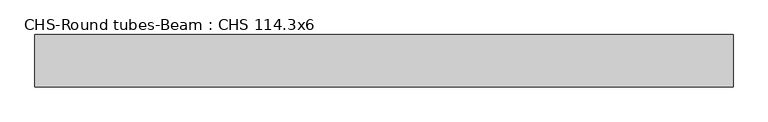
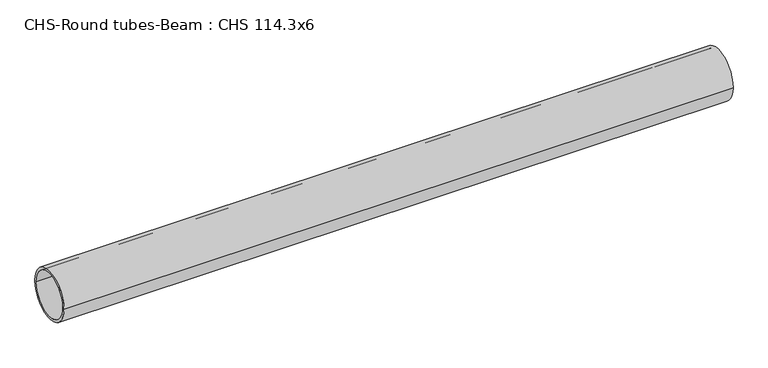
"""IFC4 building model written with IfcOpenShell, lengths in millimetres: beam geometry, CHS-Round tubes-Beam : CHS 114.3x6."""

from ifc_helpers import new_model, si_unit, point, frame, origin, origin_2d, place, context, project, spatial, circle_curve, trimmed, segment, composite_curve, outline, extrude, source, transform, mapped, element, save


def chs_round_tubes_beam_chs_114_3x6_47f75db7(model_context):
    return source(origin(), model_context, "Body", "SweptSolid", [
        extrude(outline(composite_curve([segment(trimmed(circle_curve(origin_2d(), 57.15), [point((57.15, 0.0))], [point((-57.15, 0.0))], False, "CARTESIAN"), True, "CONTINUOUS"), segment(trimmed(circle_curve(origin_2d(), 57.15), [point((-57.15, 0.0))], [point((57.15, 0.0))], False, "CARTESIAN"), True, "CONTINUOUS")], self_intersect=False), holes=[composite_curve([segment(trimmed(circle_curve(origin_2d(), 51.15), [point((51.15, 0.0))], [point((-51.15, 0.0))], True, "CARTESIAN"), True, "CONTINUOUS"), segment(trimmed(circle_curve(origin_2d(), 51.15), [point((-51.15, 0.0))], [point((51.15, 0.0))], True, "CARTESIAN"), True, "CONTINUOUS")], self_intersect=False)]), frame((-736.1906428, 0.0, 0.0), z_axis=(1.0, 0.0, 0.0), x_axis=(0.0, 1.0, 0.0)), (0.0, 0.0, 1.0), 1517.8486518),
    ])


if __name__ == "__main__":
    model = new_model("IFC4")
    model_context = context("Model", 3, world=origin())
    ifc_project = project(units=[si_unit("LENGTHUNIT", "METRE", prefix="MILLI")], contexts=[model_context])
    site = spatial("IfcSite", under=ifc_project)
    building = spatial("IfcBuilding", under=site)
    placement = place(None, origin())
    chs_round_tubes_beam_chs_114_3x6_shape = chs_round_tubes_beam_chs_114_3x6_47f75db7(model_context)
    element("IfcBeam", 1, ObjectType="CHS-Round tubes-Beam : CHS 114.3x6", at=placement, inside=building, context=model_context, shape_type="MappedRepresentation", body=[
        mapped(chs_round_tubes_beam_chs_114_3x6_shape, transform((0.0, 0.0, 0.0), x_axis=(1.0, 0.0, 0.0), y_axis=(0.0, 1.0, 0.0), z_axis=(0.0, 0.0, 1.0))),
    ])
    save(model, "model.ifc")
